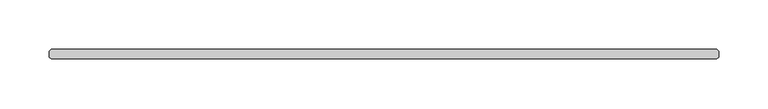
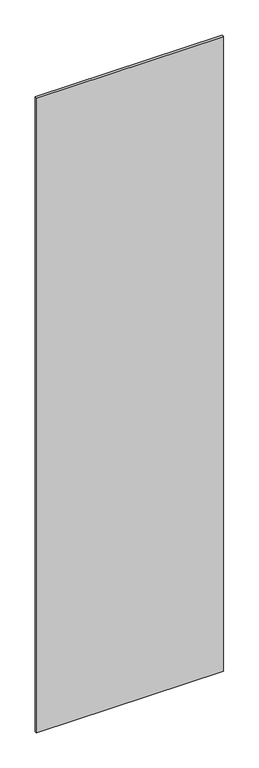
"""IFC4 building model written with IfcOpenShell, lengths in millimetres: plate geometry."""

from ifc_helpers import new_model, si_unit, origin, origin_with_axes, place, context, project, spatial, polyline, outline, extrude, source, transform, mapped, element, save


def plate_8453c3c5(model_context):
    return source(origin(), model_context, "Body", "SweptSolid", [
        extrude(outline(polyline([(336.55, -34.925), (-336.55, -34.925), (-338.1375, -33.3375), (-338.1375, -26.9875), (-336.55, -25.4), (336.55, -25.4), (338.1375, -26.9875), (338.1375, -33.3375), (336.55, -34.925)])), origin_with_axes(), (0.0, 0.0, 1.0), 2417.075),
    ])


if __name__ == "__main__":
    model = new_model("IFC4")
    model_context = context("Model", 3, world=origin())
    ifc_project = project(units=[si_unit("LENGTHUNIT", "METRE", prefix="MILLI")], contexts=[model_context])
    site = spatial("IfcSite", under=ifc_project)
    building = spatial("IfcBuilding", under=site)
    placement = place(None, origin())
    plate_shape = plate_8453c3c5(model_context)
    element("IfcPlate", 1, at=placement, inside=building, context=model_context, shape_type="MappedRepresentation", body=[
        mapped(plate_shape, transform((0.0, 0.0, 0.0), x_axis=(1.0, 0.0, 0.0), y_axis=(0.0, 1.0, 0.0), z_axis=(0.0, 0.0, 1.0))),
    ])
    save(model, "model.ifc")
